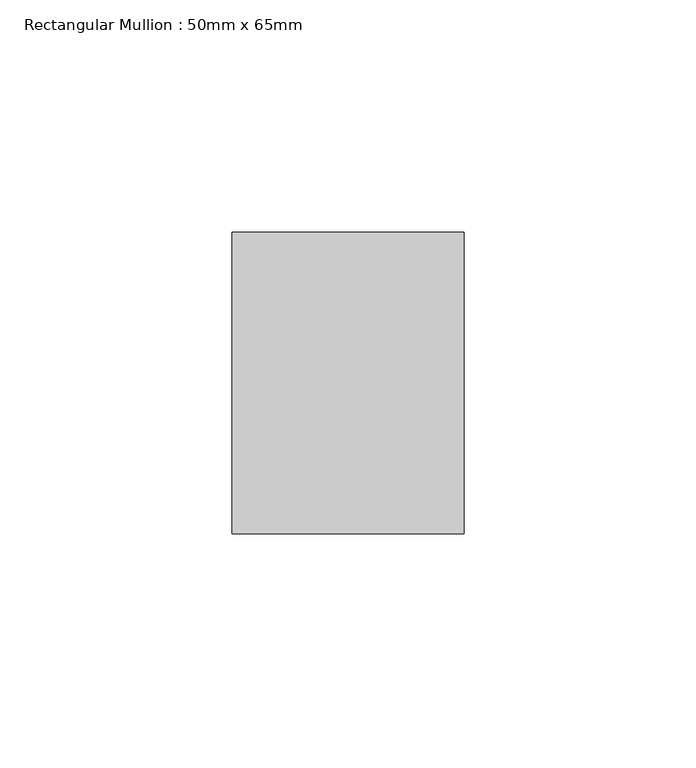
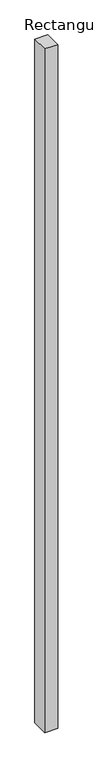
"""IFC4 building model written with IfcOpenShell, lengths in millimetres: member geometry, Rectangular Mullion : 50mm x 65mm."""

from ifc_helpers import new_model, si_unit, frame, origin, place, context, project, spatial, polyline, outline, extrude, source, transform, mapped, element, save


def rectangular_mullion_50mm_x_65mm_d01b11fd(model_context):
    return source(origin(), model_context, "Body", "SweptSolid", [
        extrude(outline(polyline([(25.0, 32.5), (25.0, -32.5), (-25.0, -32.5), (-25.0, 32.5), (25.0, 32.5)])), frame((0.0, 0.0, -2773.8910733), z_axis=(0.0, 0.0, 1.0), x_axis=(1.0, 0.0, 0.0)), (0.0, 0.0, 1.0), 2773.8910733),
    ])


if __name__ == "__main__":
    model = new_model("IFC4")
    model_context = context("Model", 3, world=origin())
    ifc_project = project(units=[si_unit("LENGTHUNIT", "METRE", prefix="MILLI")], contexts=[model_context])
    site = spatial("IfcSite", under=ifc_project)
    building = spatial("IfcBuilding", under=site)
    placement = place(None, origin())
    rectangular_mullion_50mm_x_65mm_shape = rectangular_mullion_50mm_x_65mm_d01b11fd(model_context)
    element("IfcMember", 1, ObjectType="Rectangular Mullion : 50mm x 65mm", at=placement, inside=building, context=model_context, shape_type="MappedRepresentation", body=[
        mapped(rectangular_mullion_50mm_x_65mm_shape, transform((0.0, 0.0, 0.0), x_axis=(1.0, 0.0, 0.0), y_axis=(0.0, 1.0, 0.0), z_axis=(0.0, 0.0, 1.0))),
    ])
    save(model, "model.ifc")
